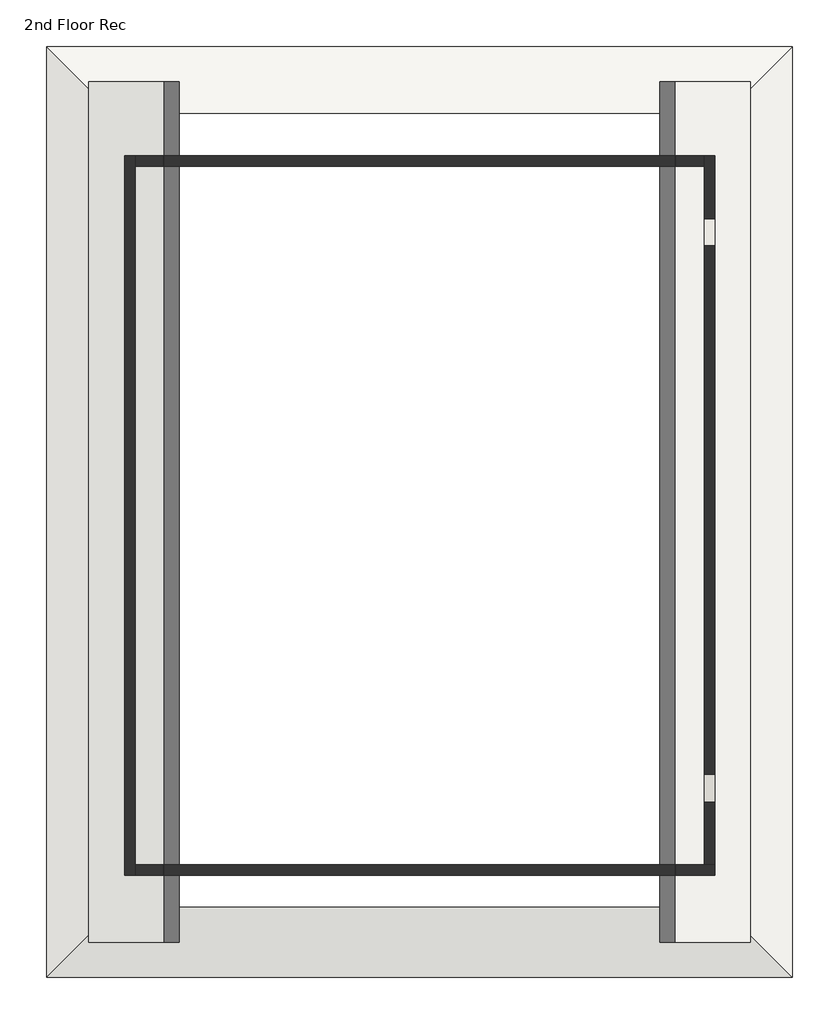
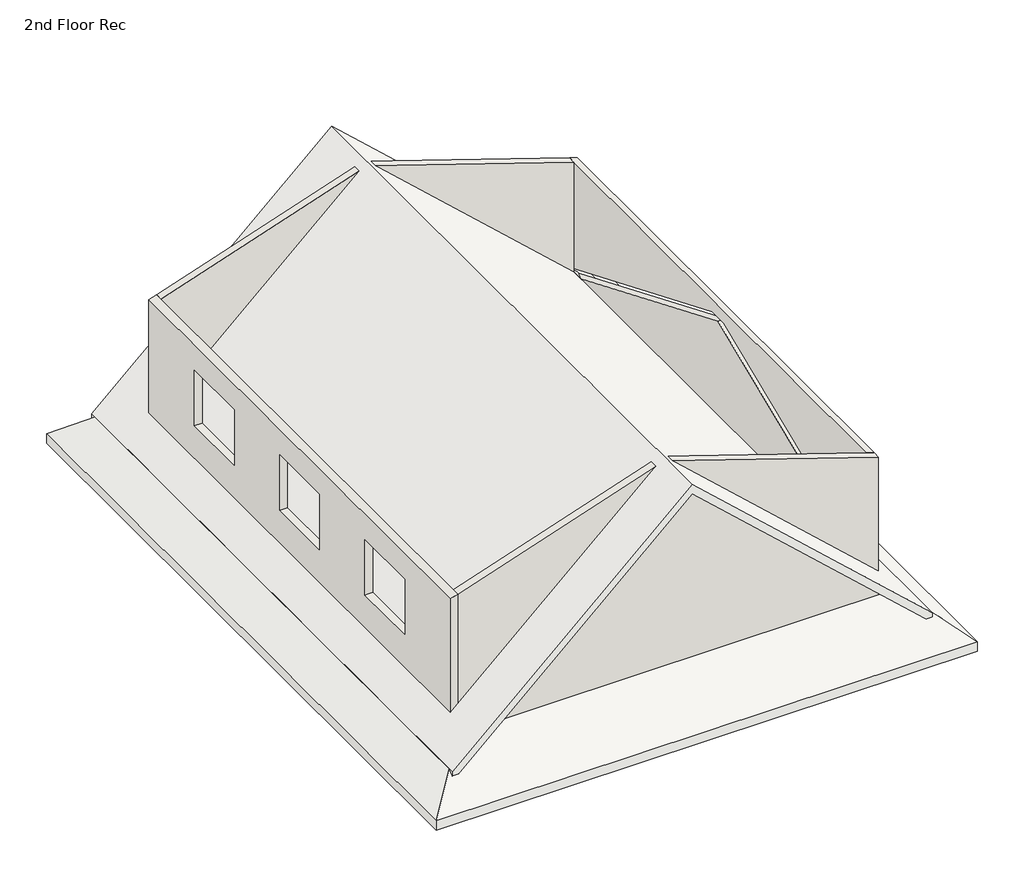
# One storey: 4 walls, 2 roofs.
"""IFC4 building model written with IfcOpenShell, lengths in millimetres."""

from ifc_helpers import new_model, si_unit, frame, origin, place, context, project, spatial, polyline, outline, extrude, faceted_brep, element, save

model = new_model("IFC4")

# Units and contexts
model_context = context("Model", 3, world=origin())
ifc_project = project(units=[si_unit("LENGTHUNIT", "METRE", prefix="MILLI")], contexts=[model_context])

# Site, building, storey
site = spatial("IfcSite", under=ifc_project)
building = spatial("IfcBuilding", under=site)
storey = spatial("IfcBuildingStorey", under=building, Name="2nd Floor Rec", Elevation=33807.4)

# Roofs
placement = place(None, origin())
element("IfcRoof", 1, ObjectType="Wood Rafter 6\" - Asphalt Shingle", at=placement, inside=storey, context=model_context, shape_type="Brep", body=[
    faceted_brep([(27207.7968692, -17967.3953032, 33299.4), (38009.145353, -17967.3953032, 33299.4), (37041.0318689, -18935.5087873, 34106.1612367), (28175.9103533, -18935.5087873, 34106.1612367), (38009.145353, -31438.9203032, 33299.4), (36990.2318689, -30420.0068192, 34148.49457), (37136.8771814, -30420.0068192, 34026.290143), (37136.8771814, -18935.5087873, 34026.290143), (27207.7968692, -31438.9203032, 33299.4), (28226.7103533, -30420.0068192, 34148.49457), (28087.6041496, -18935.5087873, 34032.5727336), (28087.6041496, -30420.0068192, 34032.5727336), (38009.145353, -17967.3953032, 33497.7803418), (27207.7968692, -17967.3953032, 33497.7803418), (28175.9103533, -18935.5087873, 34304.5415785), (37041.0318689, -18935.5087873, 34304.5415785), (38009.145353, -31438.9203032, 33497.7803418), (37136.8771814, -18935.5087873, 34224.6704847), (37136.8771814, -30420.0068192, 34224.6704847), (36990.2318689, -30420.0068192, 34346.8749118), (27207.7968692, -31438.9203032, 33497.7803418), (28226.7103533, -30420.0068192, 34346.8749118), (28087.6041496, -30420.0068192, 34230.9530754), (28087.6041496, -18935.5087873, 34230.9530754)], [[[0, 1, 2, 3]], [[1, 4, 5, 6, 7, 2]], [[4, 8, 9, 5]], [[8, 0, 3, 10, 11, 9]], [[12, 13, 14, 15]], [[16, 12, 15, 17, 18, 19]], [[20, 16, 19, 21]], [[13, 20, 21, 22, 23, 14]], [[13, 12, 1, 0]], [[20, 13, 0, 8]], [[16, 20, 8, 4]], [[12, 16, 4, 1]], [[7, 17, 15, 14, 23, 10, 3, 2]], [[10, 23, 22, 11]], [[11, 22, 21, 19, 18, 6, 5, 9]], [[17, 7, 6, 18]]]),
])
element("IfcRoof", 2, ObjectType="Wood Rafter 6\" - Asphalt Shingle", at=placement, inside=storey, context=model_context, shape_type="SweptSolid", body=[
    extrude(outline(polyline([(33807.4, 27817.3968692), (38199.2180551, 32608.4711111), (33807.4, 37399.545353), (34014.1410216, 37399.545353), (38405.9590766, 32608.4711111), (34014.1410216, 27817.3968692), (33807.4, 27817.3968692)])), frame((0.0, -30930.9203032, 0.0), z_axis=(0.0, 1.0, 0.0), x_axis=(0.0, 0.0, 1.0)), (0.0, 0.0, 1.0), 12455.525),
])

# Walls
element("IfcWall", 3, ObjectType="Generic - 6\"", at=placement, inside=storey, context=model_context, shape_type="Brep", body=[
    faceted_brep([(28491.0906655, -29960.9578032, 33807.4), (36885.7906655, -29960.9578032, 33807.4), (36885.7906655, -29960.9578032, 36887.0619909), (32612.2406655, -29960.9578032, 38311.5786575), (28491.0906655, -29960.9578032, 36937.8619909), (28491.0906655, -29960.9578032, 34631.6936682), (28491.0906655, -29960.9578032, 34424.9526466), (28491.0906655, -29808.5578032, 33807.4), (28491.0906655, -29808.5578032, 36937.8619909), (32612.2406655, -29808.5578032, 38311.5786575), (36733.3906655, -29808.5578032, 36937.8619909), (36885.7906655, -29808.5578032, 36887.0619909), (36885.7906655, -29808.5578032, 34629.8572917), (36885.7906655, -29808.5578032, 34485.0828184), (36885.7906655, -29808.5578032, 33807.4), (36733.3906655, -29808.5578032, 33807.4)], [[[0, 1, 2, 3, 4, 5, 6]], [[7, 8, 9, 10, 11, 12, 13, 14, 15]], [[1, 0, 7, 15, 14]], [[2, 1, 14, 13, 12, 11]], [[0, 6, 5, 4, 8, 7]], [[4, 3, 9, 8]], [[3, 2, 11, 10, 9]]]),
])
element("IfcWall", 4, ObjectType="Generic - 6\"", at=placement, inside=storey, context=model_context, shape_type="Brep", body=[
    faceted_brep([(36885.7906655, -29808.5578032, 33807.4), (36885.7906655, -19546.9578032, 33807.4), (36885.7906655, -19546.9578032, 34485.0828184), (36885.7906655, -19598.9140675, 34485.0828184), (36885.7906655, -24679.3453032, 36601.9291667), (36885.7906655, -29759.776539, 34485.0828184), (36885.7906655, -29808.5578032, 34485.0828184), (36733.3906655, -19546.9578032, 33807.4), (36733.3906655, -19699.3578032, 33807.4), (36733.3906655, -29808.5578032, 33807.4), (36733.3906655, -29808.5578032, 34624.7828184), (36733.3906655, -29424.496539, 34624.7828184), (36733.3906655, -24679.3453032, 36601.9291667), (36733.3906655, -19934.1940675, 34624.7828184), (36733.3906655, -19546.9578032, 34624.7828184)], [[[0, 1, 2, 3, 4, 5, 6]], [[7, 8, 9, 10, 11, 12, 13, 14]], [[1, 0, 9, 8, 7]], [[9, 0, 6, 10]], [[1, 7, 14, 2]], [[3, 13, 12, 4]], [[4, 12, 11, 5]], [[13, 3, 2, 14]], [[5, 11, 10, 6]]]),
    faceted_brep([(36885.7906655, -19546.9578032, 36887.0619909), (36885.7906655, -29808.5578032, 36887.0619909), (36885.7906655, -29808.5578032, 34629.8572917), (36885.7906655, -24878.9465252, 36683.8619909), (36885.7906655, -24479.7440813, 36683.8619909), (36885.7906655, -19546.9578032, 34628.534375), (36733.3906655, -29808.5578032, 36937.8619909), (36733.3906655, -19699.3578032, 36937.8619909), (36733.3906655, -19546.9578032, 36937.8619909), (36733.3906655, -19546.9578032, 34628.534375), (36733.3906655, -24479.7440813, 36683.8619909), (36733.3906655, -24878.9465252, 36683.8619909), (36733.3906655, -29808.5578032, 34629.8572917)], [[[0, 1, 2, 3, 4, 5]], [[6, 7, 8, 9, 10, 11, 12]], [[1, 6, 12, 2]], [[8, 0, 5, 9]], [[1, 0, 8, 7, 6]], [[4, 10, 9, 5]], [[11, 3, 2, 12]], [[10, 4, 3, 11]]]),
])
element("IfcWall", 5, ObjectType="Generic - 6\" Metal Siding", at=placement, inside=storey, context=model_context, shape_type="Brep", body=[
    faceted_brep([(36733.3906655, -19546.9578032, 33807.4), (28491.0906655, -19546.9578032, 33807.4), (28491.0906655, -19546.9578032, 34424.9526466), (28491.0906655, -19546.9578032, 34631.6936682), (28491.0906655, -19546.9578032, 36937.8619909), (32612.2406655, -19546.9578032, 38311.5786575), (36733.3906655, -19546.9578032, 36937.8619909), (36733.3906655, -19546.9578032, 34628.534375), (36733.3906655, -19546.9578032, 34624.7828184), (36733.3906655, -19699.3578032, 33807.4), (36733.3906655, -19699.3578032, 36937.8619909), (32612.2406655, -19699.3578032, 38311.5786575), (28491.0906655, -19699.3578032, 36937.8619909), (28491.0906655, -19699.3578032, 33807.4)], [[[0, 1, 2, 3, 4, 5, 6, 7, 8]], [[9, 10, 11, 12, 13]], [[1, 0, 9, 13]], [[4, 3, 2, 1, 13, 12]], [[0, 8, 7, 6, 10, 9]], [[6, 5, 11, 10]], [[5, 4, 12, 11]]]),
])
element("IfcWall", 6, ObjectType="Generic - 6\" Metal Siding", at=placement, inside=storey, context=model_context, shape_type="Brep", body=[
    faceted_brep([(28338.6906655, -19546.9578032, 33807.4), (28338.6906655, -29960.9578032, 33807.4), (28338.6906655, -29960.9578032, 34285.2526466), (28338.6906655, -19546.9578032, 34285.2526466), (28491.0906655, -29960.9578032, 33807.4), (28491.0906655, -29808.5578032, 33807.4), (28491.0906655, -19699.3578032, 33807.4), (28491.0906655, -19546.9578032, 33807.4), (28491.0906655, -19546.9578032, 34424.9526466), (28491.0906655, -29960.9578032, 34424.9526466)], [[[0, 1, 2, 3]], [[4, 5, 6, 7, 8, 9]], [[1, 0, 7, 6, 5, 4]], [[1, 4, 9, 2]], [[7, 0, 3, 8]], [[3, 2, 9, 8]]]),
    faceted_brep([(28338.6906655, -29960.9578032, 36887.0619909), (28338.6906655, -19546.9578032, 36887.0619909), (28338.6906655, -19546.9578032, 34491.9936682), (28338.6906655, -29960.9578032, 34491.9936682), (28338.6906655, -25439.7578032, 36352.1625), (28338.6906655, -25439.7578032, 35183.7625), (28338.6906655, -24068.1578032, 35183.7625), (28338.6906655, -24068.1578032, 36352.1625), (28338.6906655, -22493.3578032, 36352.1625), (28338.6906655, -22493.3578032, 35183.7625), (28338.6906655, -21121.7578032, 35183.7625), (28338.6906655, -21121.7578032, 36352.1625), (28338.6906655, -28386.1578032, 36352.1625), (28338.6906655, -28386.1578032, 35183.7625), (28338.6906655, -27014.5578032, 35183.7625), (28338.6906655, -27014.5578032, 36352.1625), (28491.0906655, -19546.9578032, 36937.8619909), (28491.0906655, -19699.3578032, 36937.8619909), (28491.0906655, -29808.5578032, 36937.8619909), (28491.0906655, -29960.9578032, 36937.8619909), (28491.0906655, -29960.9578032, 34631.6936682), (28491.0906655, -19546.9578032, 34631.6936682), (28491.0906655, -25439.7578032, 35183.7625), (28491.0906655, -25439.7578032, 36352.1625), (28491.0906655, -24068.1578032, 36352.1625), (28491.0906655, -24068.1578032, 35183.7625), (28491.0906655, -22493.3578032, 35183.7625), (28491.0906655, -22493.3578032, 36352.1625), (28491.0906655, -21121.7578032, 36352.1625), (28491.0906655, -21121.7578032, 35183.7625), (28491.0906655, -28386.1578032, 35183.7625), (28491.0906655, -28386.1578032, 36352.1625), (28491.0906655, -27014.5578032, 36352.1625), (28491.0906655, -27014.5578032, 35183.7625)], [[[0, 1, 2, 3], [4, 5, 6, 7], [8, 9, 10, 11], [12, 13, 14, 15]], [[16, 17, 18, 19, 20, 21], [22, 23, 24, 25], [26, 27, 28, 29], [30, 31, 32, 33]], [[19, 0, 3, 20]], [[1, 16, 21, 2]], [[1, 0, 19, 18, 17, 16]], [[3, 2, 21, 20]], [[5, 4, 23, 22]], [[6, 5, 22, 25]], [[7, 6, 25, 24]], [[4, 7, 24, 23]], [[9, 8, 27, 26]], [[10, 9, 26, 29]], [[11, 10, 29, 28]], [[8, 11, 28, 27]], [[13, 12, 31, 30]], [[14, 13, 30, 33]], [[15, 14, 33, 32]], [[12, 15, 32, 31]]]),
])

save(model, "model.ifc")
